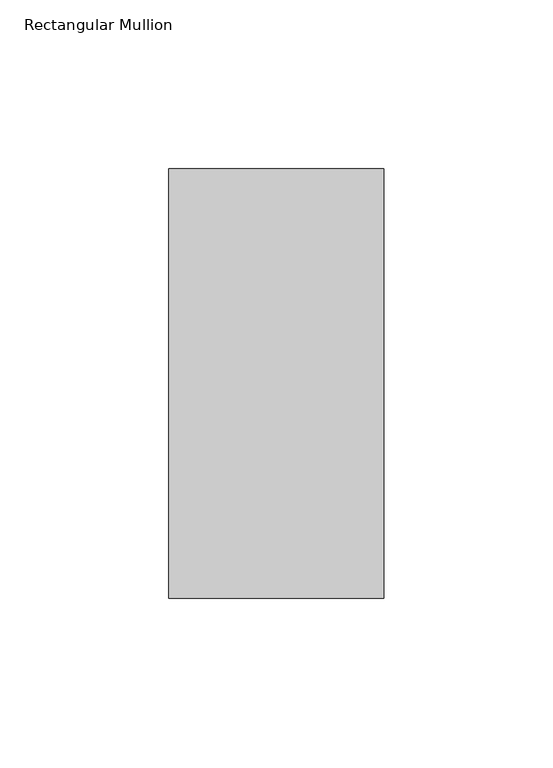
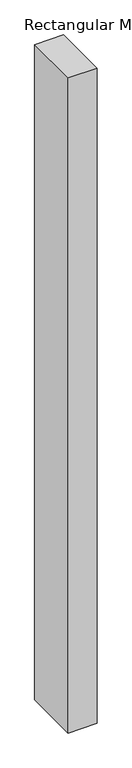
"""IFC4 building model written with IfcOpenShell, lengths in millimetres: member geometry, Rectangular Mullion."""

from ifc_helpers import new_model, si_unit, frame, origin, place, context, project, spatial, polyline, outline, extrude, source, transform, mapped, element, save


def rectangular_mullion_602cecf9(model_context):
    return source(origin(), model_context, "Body", "SweptSolid", [
        extrude(outline(polyline([(-31.7684923, -63.5), (-31.7684923, 63.5), (31.7609665, 63.5), (31.7609665, -63.5), (-31.7684923, -63.5)])), frame((0.0, 0.0, -1518.4444557), z_axis=(0.0, 0.0, 1.0), x_axis=(1.0, 0.0, 0.0)), (0.0, 0.0, 1.0), 1518.4444557),
    ])


if __name__ == "__main__":
    model = new_model("IFC4")
    model_context = context("Model", 3, world=origin())
    ifc_project = project(units=[si_unit("LENGTHUNIT", "METRE", prefix="MILLI")], contexts=[model_context])
    site = spatial("IfcSite", under=ifc_project)
    building = spatial("IfcBuilding", under=site)
    placement = place(None, origin())
    rectangular_mullion_shape = rectangular_mullion_602cecf9(model_context)
    element("IfcMember", 1, ObjectType="Rectangular Mullion", at=placement, inside=building, context=model_context, shape_type="MappedRepresentation", body=[
        mapped(rectangular_mullion_shape, transform((0.0, 0.0, 0.0), x_axis=(1.0, 0.0, 0.0), y_axis=(0.0, 1.0, 0.0), z_axis=(0.0, 0.0, 1.0))),
    ])
    save(model, "model.ifc")
